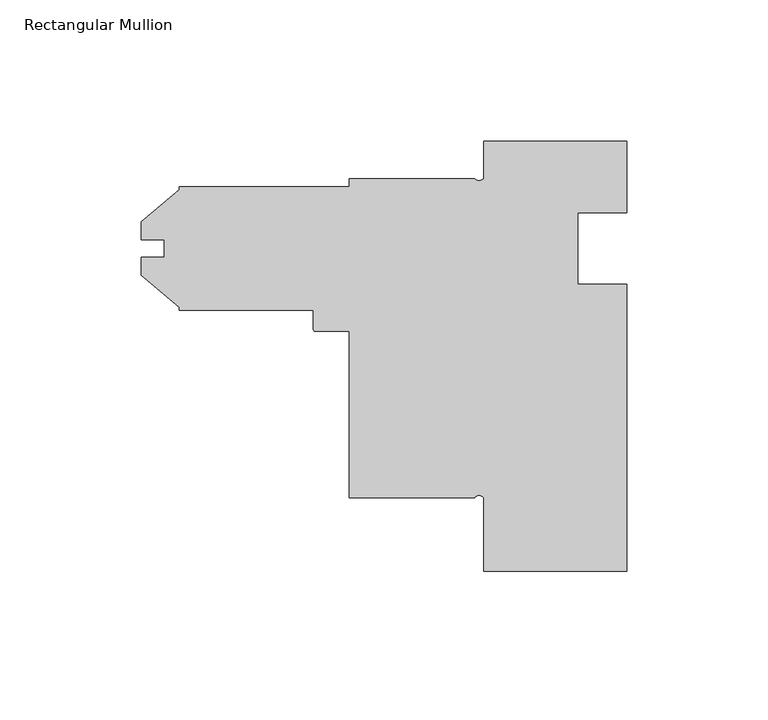
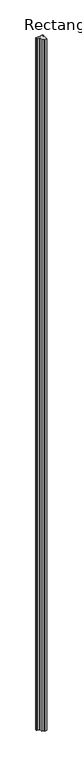
"""IFC4 building model written with IfcOpenShell, lengths in millimetres: member geometry, Rectangular Mullion."""

from ifc_helpers import new_model, si_unit, point, frame, frame_2d, origin, place, context, project, spatial, polyline, circle_curve, trimmed, segment, composite_curve, outline, extrude, source, transform, mapped, element, save


def rectangular_mullion_0500bb2a(model_context):
    return source(origin(), model_context, "Body", "SweptSolid", [
        extrude(outline(composite_curve([segment(polyline([(25.4, -25.4), (7.9502, -25.4), (7.9502, -50.8), (25.4, -50.8), (25.4, -152.4), (-25.4, -152.4), (-25.4, -126.3904)]), True, "CONTINUOUS"), segment(trimmed(circle_curve(frame_2d((-26.9875, -127.5783639)), 1.9827795), [point((-25.4, -126.3904))], [point((-28.575, -126.3904))], True, "CARTESIAN"), True, "CONTINUOUS"), segment(polyline([(-28.575, -126.3904), (-73.025, -126.3904), (-73.025, -67.4878), (-84.9376, -67.4878)]), True, "CONTINUOUS"), segment(trimmed(circle_curve(frame_2d((-84.9376, -66.7004)), 0.7874), [point((-84.9376, -67.4878))], [point((-85.725, -66.7004))], False, "CARTESIAN"), True, "CONTINUOUS"), segment(polyline([(-85.725, -66.7004), (-85.725, -59.986545), (-133.35, -59.986545), (-133.35, -58.9200383), (-146.812, -47.624079), (-146.812, -41.2538071), (-138.6619049, -41.2538071), (-138.6619049, -34.9296829), (-146.812, -34.9296829), (-146.812, -28.559411), (-133.35, -17.2634517), (-133.35, -16.196945), (-73.025, -16.196945), (-73.025, -13.3096), (-28.575, -13.3096)]), True, "CONTINUOUS"), segment(trimmed(circle_curve(frame_2d((-26.9875, -11.9531638)), 2.0880794), [point((-28.575, -13.3096))], [point((-25.4, -13.3096))], True, "CARTESIAN"), True, "CONTINUOUS"), segment(polyline([(-25.4, -13.3096), (-25.4, 0.0), (25.4, 0.0), (25.4, -25.4)]), True, "CONTINUOUS")], self_intersect=False)), frame((0.0, 0.0, -15837.0064664), z_axis=(0.0, 0.0, 1.0), x_axis=(1.0, 0.0, 0.0)), (0.0, 0.0, 1.0), 15837.0064664),
    ])


if __name__ == "__main__":
    model = new_model("IFC4")
    model_context = context("Model", 3, world=origin())
    ifc_project = project(units=[si_unit("LENGTHUNIT", "METRE", prefix="MILLI")], contexts=[model_context])
    site = spatial("IfcSite", under=ifc_project)
    building = spatial("IfcBuilding", under=site)
    placement = place(None, origin())
    rectangular_mullion_shape = rectangular_mullion_0500bb2a(model_context)
    element("IfcMember", 1, ObjectType="Rectangular Mullion", at=placement, inside=building, context=model_context, shape_type="MappedRepresentation", body=[
        mapped(rectangular_mullion_shape, transform((0.0, 0.0, 0.0), x_axis=(1.0, 0.0, 0.0), y_axis=(0.0, 1.0, 0.0), z_axis=(0.0, 0.0, 1.0))),
    ])
    save(model, "model.ifc")
